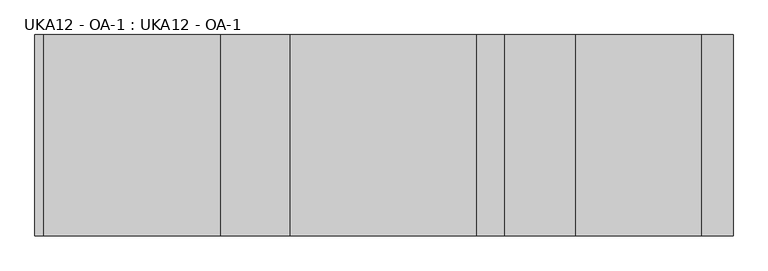
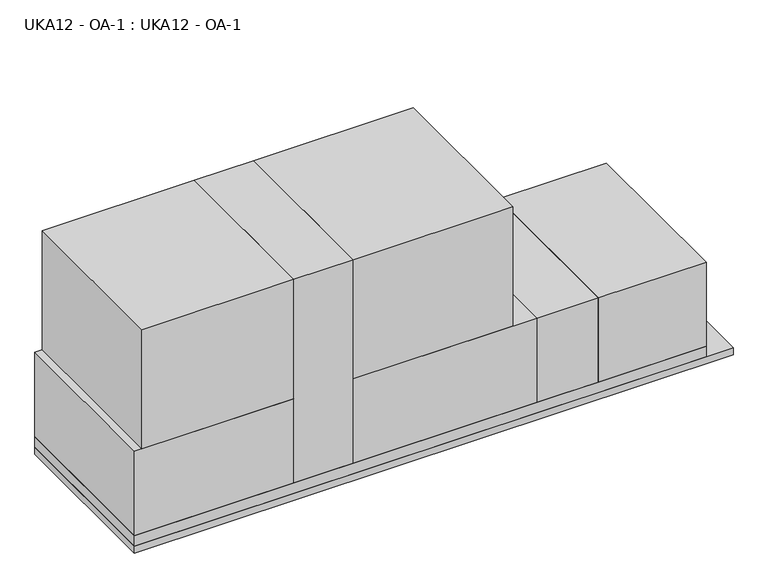
"""IFC4 building model written with IfcOpenShell, lengths in millimetres: proxy geometry, UKA12 - OA-1 : UKA12 - OA-1."""

import ifcopenshell
import ifcopenshell.guid

model = None  # the IFC model being written
_history = None  # IfcOwnerHistory: only IFC2X3 demands one
_inside = {}  # id of a spatial element -> (the spatial element, [elements in it])
_under = {}  # id of a project, library or spatial element -> (it, [spatial elements below it])
_declared = {}  # id of a project -> (the project, [libraries it declares])
_typed = {}  # id of a type object -> (the type object, [elements of that type])
_made_of = {}  # id of a material, layer set ... -> (it, [elements and type objects made of it])


def new_model(schema):
    """Start an empty IFC model of exactly this schema.

    Asked for "IFC4X3", IfcOpenShell would pick the latest addendum, in which some entities
    have other attributes; the version numbers below select the first issue.
    IFC2X3 requires an IfcOwnerHistory on every rooted entity: one is made here for all.
    """
    global model, _history
    if schema == "IFC4X3":
        model = ifcopenshell.file(schema_version=(4, 3, 0, 0))
    else:
        model = ifcopenshell.file(schema=schema)
    _inside.clear()
    _under.clear()
    _declared.clear()
    _typed.clear()
    _made_of.clear()
    _history = None
    if model.schema == "IFC2X3":
        org = make("IfcOrganization", Name="unknown")
        user = make(
            "IfcPersonAndOrganization",
            ThePerson=make("IfcPerson", FamilyName="unknown"),
            TheOrganization=org,
        )
        app = make(
            "IfcApplication",
            ApplicationDeveloper=org,
            Version="unknown",
            ApplicationFullName="unknown",
            ApplicationIdentifier="unknown",
        )
        _history = make(
            "IfcOwnerHistory",
            OwningUser=user,
            OwningApplication=app,
            ChangeAction="ADDED",
            CreationDate=0,
        )
    return model


def make(cls, **values):
    """One entity of the class cls with the attributes given. An attribute that is None is left unset."""
    return model.create_entity(
        cls, **{name: value for name, value in values.items() if value is not None}
    )


def rooted(cls, **values):
    """An entity with a GlobalId (a new one), such as an element, a storey or a relation."""
    return make(cls, GlobalId=ifcopenshell.guid.new(), OwnerHistory=_history, **values)


def si_unit(unit_type, name, prefix=None):
    """IfcSIUnit, for example si_unit("LENGTHUNIT", "METRE", prefix="MILLI")."""
    return make("IfcSIUnit", UnitType=unit_type, Prefix=prefix, Name=name)


def assignment(units):
    """IfcUnitAssignment: the units of a project."""
    return None if units is None else make("IfcUnitAssignment", Units=units)


def point(xyz):
    """IfcCartesianPoint."""
    return None if xyz is None else make("IfcCartesianPoint", Coordinates=xyz)


def direction(xyz):
    """IfcDirection."""
    return None if xyz is None else make("IfcDirection", DirectionRatios=xyz)


def frame(location, z_axis=None, x_axis=None):
    """IfcAxis2Placement3D, a coordinate frame: its origin and axes. An axis left out is left unset."""
    return make(
        "IfcAxis2Placement3D",
        Location=point(location),
        Axis=direction(z_axis),
        RefDirection=direction(x_axis),
    )


def origin():
    """The frame at (0, 0, 0) with its axes left unset."""
    return frame((0.0, 0.0, 0.0))


def origin_with_axes():
    """The frame at (0, 0, 0) with the z axis (0, 0, 1) and the x axis (1, 0, 0) written out."""
    return frame((0.0, 0.0, 0.0), z_axis=(0.0, 0.0, 1.0), x_axis=(1.0, 0.0, 0.0))


def place(relative_to, where):
    """IfcLocalPlacement: puts the frame where relative to a parent placement (None: the world)."""
    return make(
        "IfcLocalPlacement", PlacementRelTo=relative_to, RelativePlacement=where
    )


def context(
    kind, dimensions, precision=None, world=None, true_north=None, identifier=None
):
    """IfcGeometricRepresentationContext, for example the 3D "Model" context."""
    return make(
        "IfcGeometricRepresentationContext",
        ContextIdentifier=identifier,
        ContextType=kind,
        CoordinateSpaceDimension=dimensions,
        Precision=precision,
        WorldCoordinateSystem=world,
        TrueNorth=true_north,
    )


def project(units=None, contexts=None):
    """IfcProject with its units and contexts."""
    return rooted(
        "IfcProject",
        Name="project",
        RepresentationContexts=contexts,
        UnitsInContext=assignment(units),
    )


def spatial(cls, under=None, at=None, **own):
    """A site, building, storey or space (cls), placed at a placement, below another one or the project."""
    s = rooted(cls, ObjectPlacement=at, **own)
    if under is not None:
        _under.setdefault(under.id(), (under, []))[1].append(s)
    return s


def polyline(points):
    """IfcPolyline through the points."""
    return make("IfcPolyline", Points=[point(p) for p in points])


def outline(outer, holes=None, kind="AREA"):
    """IfcArbitraryClosedProfileDef: a profile drawn as a closed curve; with holes, ...WithVoids."""
    if holes is None:
        return make("IfcArbitraryClosedProfileDef", ProfileType=kind, OuterCurve=outer)
    return make(
        "IfcArbitraryProfileDefWithVoids",
        ProfileType=kind,
        OuterCurve=outer,
        InnerCurves=holes,
    )


def extrude(swept, where, along, depth):
    """IfcExtrudedAreaSolid: the profile swept, set in the frame where, extruded along a direction by depth."""
    return make(
        "IfcExtrudedAreaSolid",
        SweptArea=swept,
        Position=where,
        ExtrudedDirection=direction(along),
        Depth=depth,
    )


def shape(context_of_items, identifier, shape_type, items):
    """IfcShapeRepresentation: the items that make up one representation, for example the "Body"."""
    return make(
        "IfcShapeRepresentation",
        ContextOfItems=context_of_items,
        RepresentationIdentifier=identifier,
        RepresentationType=shape_type,
        Items=items,
    )


def source(mapping_origin, context_of_items, identifier, shape_type, items):
    """IfcRepresentationMap: a shape defined once, which mapped items show again and again."""
    return make(
        "IfcRepresentationMap",
        MappingOrigin=mapping_origin,
        MappedRepresentation=shape(context_of_items, identifier, shape_type, items),
    )


def transform(
    local_origin,
    x_axis=None,
    y_axis=None,
    z_axis=None,
    scale=None,
    scale2=None,
    scale3=None,
    uniform=True,
):
    """IfcCartesianTransformationOperator3D, or its non-uniform kind. x_axis, y_axis, z_axis: its Axis1, 2, 3."""
    if uniform:
        return make(
            "IfcCartesianTransformationOperator3D",
            Axis1=direction(x_axis),
            Axis2=direction(y_axis),
            LocalOrigin=point(local_origin),
            Scale=scale,
            Axis3=direction(z_axis),
        )
    return make(
        "IfcCartesianTransformationOperator3DnonUniform",
        Axis1=direction(x_axis),
        Axis2=direction(y_axis),
        LocalOrigin=point(local_origin),
        Scale=scale,
        Axis3=direction(z_axis),
        Scale2=scale2,
        Scale3=scale3,
    )


def mapped(mapping_source, mapping_target):
    """IfcMappedItem: shows the shape of a source again, moved by a transform."""
    return make(
        "IfcMappedItem", MappingSource=mapping_source, MappingTarget=mapping_target
    )


def made_of(thing, what):
    """Note that an element or type object is made of a material, layer set ...; save() writes the relation."""
    if what is not None:
        _made_of.setdefault(what.id(), (what, []))[1].append(thing)
    return thing


def element(
    cls,
    number,
    at=None,
    inside=None,
    cuts=None,
    type_object=None,
    material=None,
    context=None,
    identifier="Body",
    shape_type=None,
    held_by="IfcProductDefinitionShape",
    body=None,
    shapes=None,
    **own,
):
    """One element of the class cls, such as IfcWall. Its Tag is "e" and its number.

    at: its placement. inside: the storey or other place that contains it. cuts: it is an
    opening in that element (IfcRelVoidsElement). A single representation is given by context,
    identifier, shape_type and body (its items); several are given by shapes. held_by: the class
    of the entity that holds the representations. save() writes the other relations.
    """
    e = rooted(cls, Tag="e%d" % number, ObjectPlacement=at, **own)
    if body is not None:
        shapes = [shape(context, identifier, shape_type, body)]
    if shapes is not None:
        e.Representation = make(held_by, Representations=shapes)
    if inside is not None:
        _inside.setdefault(inside.id(), (inside, []))[1].append(e)
    if cuts is not None:
        rooted(
            "IfcRelVoidsElement", RelatingBuildingElement=cuts, RelatedOpeningElement=e
        )
    if type_object is not None:
        _typed.setdefault(type_object.id(), (type_object, []))[1].append(e)
    return made_of(e, material)


def aggregate(whole, parts):
    """IfcRelAggregates: a whole, such as a stair, and the parts it consists of."""
    return rooted("IfcRelAggregates", RelatingObject=whole, RelatedObjects=parts)


def save(model, path):
    """Write the relations noted so far, then the file.

    IfcRelAggregates (storeys below a building ...), IfcRelContainedInSpatialStructure (elements
    in a storey), IfcRelDefinesByType, IfcRelAssociatesMaterial and IfcRelDeclares: one each for
    every whole, place, type object, material and project.
    """
    for whole, parts in _under.values():
        aggregate(whole, parts)
    for where, things in _inside.values():
        rooted(
            "IfcRelContainedInSpatialStructure",
            RelatedElements=things,
            RelatingStructure=where,
        )
    for kind, things in _typed.values():
        rooted("IfcRelDefinesByType", RelatedObjects=things, RelatingType=kind)
    for what, things in _made_of.values():
        rooted("IfcRelAssociatesMaterial", RelatedObjects=things, RelatingMaterial=what)
    for by, libraries in _declared.values():
        rooted("IfcRelDeclares", RelatingContext=by, RelatedDefinitions=libraries)
    model.write(path)


def uka12_oa_1_uka12_oa_1_86b11842(model_context):
    return source(origin(), model_context, "Body", "SweptSolid", [
        extrude(outline(polyline([(5511.8, -2362.2), (2997.2, -2362.2), (2997.2, 0.0), (5511.8, 0.0), (5511.8, -2362.2)])), frame((0.0, 0.0, 254.0), z_axis=(0.0, 0.0, 1.0), x_axis=(1.0, 0.0, 0.0)), (0.0, 0.0, 1.0), 1219.2),
        extrude(outline(polyline([(5181.6, -2362.2), (2997.2, -2362.2), (2997.2, 0.0), (5181.6, 0.0), (5181.6, -2362.2)])), frame((0.0, 0.0, 1473.2), z_axis=(0.0, 0.0, 1.0), x_axis=(1.0, 0.0, 0.0)), (0.0, 0.0, 1.0), 1727.2),
        extrude(outline(polyline([(7828.1674162, -2362.2), (6350.0, -2362.2), (6350.0, 0.0), (7828.1674162, 0.0), (7828.1674162, -2362.2)])), frame((0.0, 0.0, 254.0), z_axis=(0.0, 0.0, 1.0), x_axis=(1.0, 0.0, 0.0)), (0.0, 0.0, 1.0), 1219.2),
        extrude(outline(polyline([(6350.0, -2362.2), (5511.8, -2362.2), (5511.8, 0.0), (6350.0, 0.0), (6350.0, -2362.2)])), frame((0.0, 0.0, 254.0), z_axis=(0.0, 0.0, 1.0), x_axis=(1.0, 0.0, 0.0)), (0.0, 0.0, 1.0), 1219.2),
        extrude(outline(polyline([(2997.2, -2362.2), (2184.4, -2362.2), (2184.4, 0.0), (2997.2, 0.0), (2997.2, -2362.2)])), frame((0.0, 0.0, 254.0), z_axis=(0.0, 0.0, 1.0), x_axis=(1.0, 0.0, 0.0)), (0.0, 0.0, 1.0), 2946.4),
        extrude(outline(polyline([(2184.4, -2362.2), (101.6, -2362.2), (101.6, 0.0), (2184.4, 0.0), (2184.4, -2362.2)])), frame((0.0, 0.0, 1473.2), z_axis=(0.0, 0.0, 1.0), x_axis=(1.0, 0.0, 0.0)), (0.0, 0.0, 1.0), 1727.2),
        extrude(outline(polyline([(2184.4, -2362.2), (0.0, -2362.2), (0.0, 0.0), (2184.4, 0.0), (2184.4, -2362.2)])), frame((0.0, 0.0, 254.0), z_axis=(0.0, 0.0, 1.0), x_axis=(1.0, 0.0, 0.0)), (0.0, 0.0, 1.0), 1219.2),
        extrude(outline(polyline([(0.0, 0.0), (7828.1674162, 0.0), (7828.1674162, -2362.2), (0.0, -2362.2), (0.0, 0.0)])), frame((0.0, 0.0, 101.6), z_axis=(0.0, 0.0, 1.0), x_axis=(1.0, 0.0, 0.0)), (0.0, 0.0, 1.0), 152.4),
        extrude(outline(polyline([(8199.2325838, 0.0), (8199.2325838, -2362.2), (0.0, -2362.2), (0.0, 0.0), (8199.2325838, 0.0)])), origin_with_axes(), (0.0, 0.0, 1.0), 101.6),
    ])


if __name__ == "__main__":
    model = new_model("IFC4")
    model_context = context("Model", 3, world=origin())
    ifc_project = project(units=[si_unit("LENGTHUNIT", "METRE", prefix="MILLI")], contexts=[model_context])
    site = spatial("IfcSite", under=ifc_project)
    building = spatial("IfcBuilding", under=site)
    placement = place(None, origin())
    uka12_oa_1_uka12_oa_1_shape = uka12_oa_1_uka12_oa_1_86b11842(model_context)
    element("IfcBuildingElementProxy", 1, Name="UKA12 - OA-1 : UKA12 - OA-1", ObjectType="UKA12 - OA-1 : UKA12 - OA-1", at=placement, inside=building, context=model_context, shape_type="MappedRepresentation", body=[
        mapped(uka12_oa_1_uka12_oa_1_shape, transform((0.0, 0.0, 0.0), x_axis=(1.0, 0.0, 0.0), y_axis=(0.0, 1.0, 0.0), z_axis=(0.0, 0.0, 1.0))),
    ])
    save(model, "model.ifc")
